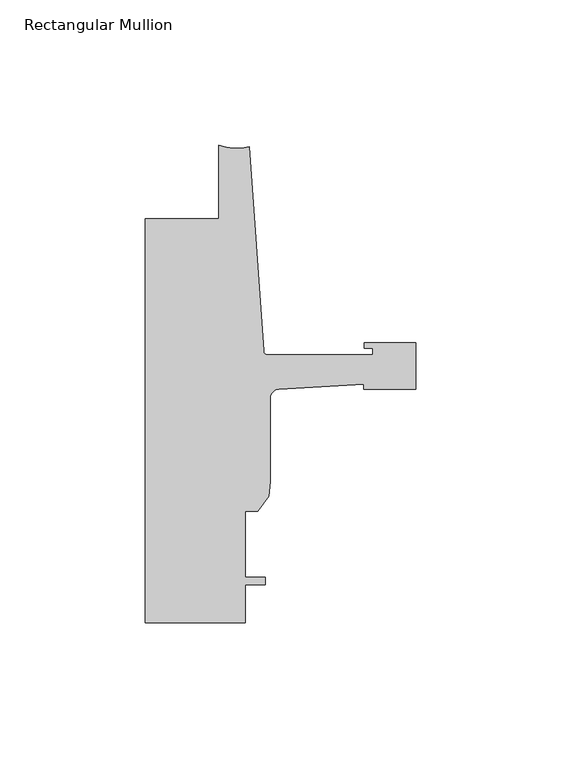
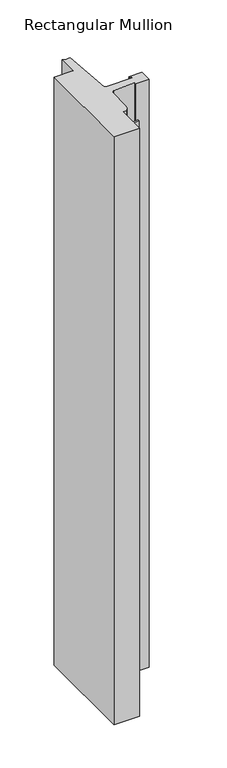
"""IFC4 building model written with IfcOpenShell, lengths in millimetres: member geometry, Rectangular Mullion."""

from ifc_helpers import new_model, si_unit, point, frame, frame_2d, origin, place, context, project, spatial, polyline, circle_curve, trimmed, segment, composite_curve, outline, extrude, source, transform, mapped, element, save


def rectangular_mullion_1246401e(model_context):
    return source(origin(), model_context, "Body", "SweptSolid", [
        extrude(outline(composite_curve([segment(polyline([(-17.9118541, -69.7047729), (-47.0897067, -71.4438232)]), True, "CONTINUOUS"), segment(trimmed(circle_curve(frame_2d((-46.9265, -74.6146257)), 3.175), [point((-47.0897067, -71.4438232))], [point((-50.1015, -74.6146257))], True, "CARTESIAN"), True, "CONTINUOUS"), segment(polyline([(-50.1015, -74.6146257), (-50.1015, -103.326113), (-50.5979748, -108.3768653), (-54.4195002, -113.4482008), (-58.7375, -113.4482008), (-58.7375, -136.3082008), (-51.8795003, -136.3082008), (-51.8795003, -138.8482008), (-58.7375, -138.8482008), (-58.7375, -151.892), (-93.2286109, -151.892), (-93.2286109, -12.7004525), (-67.8287241, -12.7004525), (-67.8287241, 12.7)]), True, "CONTINUOUS"), segment(trimmed(circle_curve(frame_2d((-61.5737839, 28.2330799)), 16.7451739), [point((-67.8287241, 12.7))], [point((-57.2987656, 12.042803))], True, "CARTESIAN"), True, "CONTINUOUS"), segment(polyline([(-57.2987656, 12.042803), (-52.3871825, -58.1961089)]), True, "CONTINUOUS"), segment(trimmed(circle_curve(frame_2d((-50.8668948, -58.0898)), 1.524), [point((-52.3871825, -58.1961089))], [point((-50.8668948, -59.6138))], True, "CARTESIAN"), True, "CONTINUOUS"), segment(polyline([(-50.8668948, -59.6138), (-14.783487, -59.6138), (-14.783487, -57.2769999), (-17.6377748, -57.2769999), (-17.6377748, -55.4989999), (0.0, -55.4989999), (0.0, -71.5009998), (-17.9118541, -71.5009998), (-17.9118541, -69.7047729)]), True, "CONTINUOUS")], self_intersect=False)), frame((0.0, 0.0, -831.8500061), z_axis=(0.0, 0.0, 1.0), x_axis=(1.0, 0.0, 0.0)), (0.0, 0.0, 1.0), 831.8500061),
    ])


if __name__ == "__main__":
    model = new_model("IFC4")
    model_context = context("Model", 3, world=origin())
    ifc_project = project(units=[si_unit("LENGTHUNIT", "METRE", prefix="MILLI")], contexts=[model_context])
    site = spatial("IfcSite", under=ifc_project)
    building = spatial("IfcBuilding", under=site)
    placement = place(None, origin())
    rectangular_mullion_shape = rectangular_mullion_1246401e(model_context)
    element("IfcMember", 1, ObjectType="Rectangular Mullion", at=placement, inside=building, context=model_context, shape_type="MappedRepresentation", body=[
        mapped(rectangular_mullion_shape, transform((0.0, 0.0, 0.0), x_axis=(1.0, 0.0, 0.0), y_axis=(0.0, 1.0, 0.0), z_axis=(0.0, 0.0, 1.0))),
    ])
    save(model, "model.ifc")
